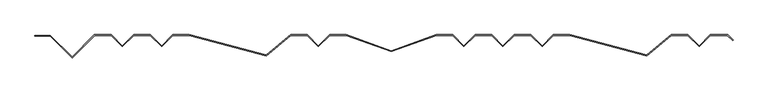
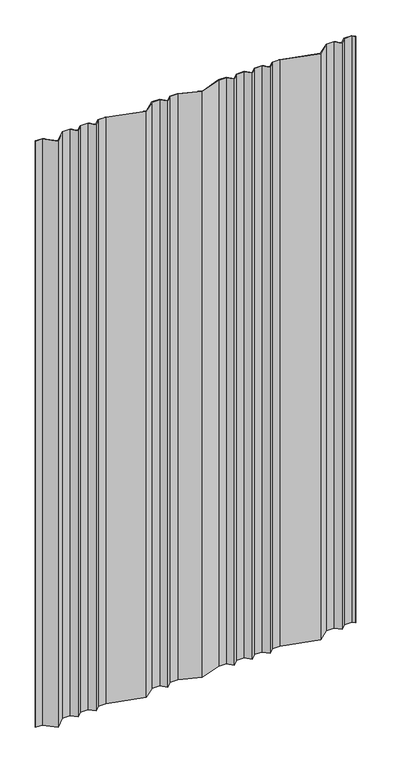
"""IFC4 building model written with IfcOpenShell, lengths in millimetres: plate geometry."""

from ifc_helpers import new_model, si_unit, origin, origin_with_axes, place, context, project, spatial, polyline, outline, extrude, source, transform, mapped, element, save


def plate_44c986cf(model_context):
    return source(origin(), model_context, "Body", "SweptSolid", [
        extrude(outline(polyline([(555.8870338, 36.5624458), (564.530739, 27.9354773), (563.8693012, 27.1854773), (555.5090693, 35.5624458), (528.9051583, 35.5624458), (511.020382, 17.6776695), (493.1356057, 35.5624458), (467.5253647, 35.5624458), (429.2392732, 3.2826233), (308.277145, 35.5624458), (282.5498193, 35.5624458), (264.6650429, 17.6776695), (246.7802666, 35.5624458), (221.1944802, 35.5624458), (203.3097039, 17.6776695), (185.4249276, 35.5624458), (159.8391411, 35.5624458), (141.9543648, 17.6776695), (124.0695885, 35.5624458), (98.3646269, 35.5624458), (27.7766953, 9.9424478), (-42.8112363, 35.5624458), (-68.5161979, 35.5624458), (-86.4009742, 17.6776695), (-104.2857505, 35.5624458), (-129.8959915, 35.5624458), (-168.182083, 3.2826233), (-289.1442112, 35.5624458), (-314.871537, 35.5624458), (-332.7563133, 17.6776695), (-350.6410896, 35.5624458), (-376.226876, 35.5624458), (-394.1116524, 17.6776695), (-411.9964287, 35.5624458), (-437.5822151, 35.5624458), (-473.1446609, 0.0), (-507.7071068, 34.5624458), (-531.5, 34.5624458), (-531.5, 35.5624458), (-507.2928932, 35.5624458), (-473.1446609, 1.4142136), (-437.9964287, 36.5624458), (-411.5822151, 36.5624458), (-394.1116524, 19.0918831), (-376.6410896, 36.5624458), (-350.226876, 36.5624458), (-332.7563133, 19.0918831), (-315.2857505, 36.5624458), (-289.0130763, 36.5624458), (-168.4280347, 4.3832523), (-130.261296, 36.5624458), (-103.871537, 36.5624458), (-86.4009742, 19.0918831), (-68.9304115, 36.5624458), (-42.6353731, 36.5624458), (27.7766953, 11.0062776), (98.1887637, 36.5624458), (124.4838021, 36.5624458), (141.9543648, 19.0918831), (159.4249276, 36.5624458), (185.8391411, 36.5624458), (203.3097039, 19.0918831), (220.7802666, 36.5624458), (247.1944802, 36.5624458), (264.6650429, 19.0918831), (282.1356057, 36.5624458), (308.40828, 36.5624458), (428.9933215, 4.3832523), (467.1600602, 36.5624458), (493.5498193, 36.5624458), (511.020382, 19.0918831), (528.4909448, 36.5624458), (555.8870338, 36.5624458)])), origin_with_axes(), (0.0, 0.0, 1.0), 2126.0),
    ])


if __name__ == "__main__":
    model = new_model("IFC4")
    model_context = context("Model", 3, world=origin())
    ifc_project = project(units=[si_unit("LENGTHUNIT", "METRE", prefix="MILLI")], contexts=[model_context])
    site = spatial("IfcSite", under=ifc_project)
    building = spatial("IfcBuilding", under=site)
    placement = place(None, origin())
    plate_shape = plate_44c986cf(model_context)
    element("IfcPlate", 1, at=placement, inside=building, context=model_context, shape_type="MappedRepresentation", body=[
        mapped(plate_shape, transform((0.0, 0.0, 0.0), x_axis=(1.0, 0.0, 0.0), y_axis=(0.0, 1.0, 0.0), z_axis=(0.0, 0.0, 1.0))),
    ])
    save(model, "model.ifc")
